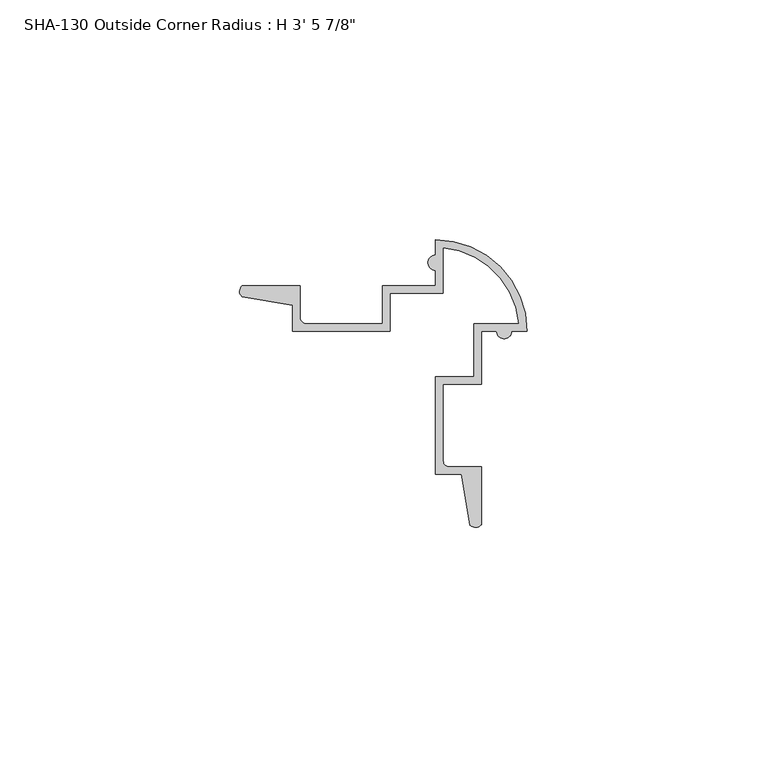
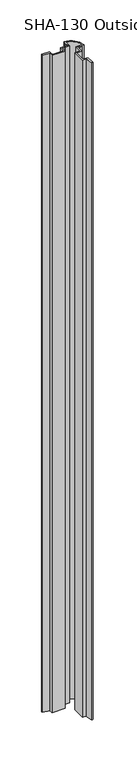
"""IFC4 building model written with IfcOpenShell, lengths in millimetres: proxy geometry."""

from ifc_helpers import new_model, si_unit, point, frame_2d, origin, origin_with_axes, place, context, project, spatial, polyline, circle_curve, trimmed, segment, composite_curve, outline, extrude, source, transform, mapped, element, save


def proxy_6e7dbbd5(model_context):
    return source(origin(), model_context, "Body", "SweptSolid", [
        extrude(outline(composite_curve([segment(trimmed(circle_curve(frame_2d((10.5926257, 24.8891856)), 1.5748), [point((10.5926257, 23.3143856))], [point((10.5926257, 26.4639856))], False, "CARTESIAN"), True, "CONTINUOUS"), segment(polyline([(10.5926257, 26.4639856), (10.5926257, 29.6516856)]), True, "CONTINUOUS"), segment(trimmed(circle_curve(frame_2d((10.5926257, 10.6016856)), 19.05), [point((10.5926257, 29.6516856))], [point((29.6426257, 10.6016856))], False, "CARTESIAN"), True, "CONTINUOUS"), segment(polyline([(29.6426257, 10.6016856), (26.4549257, 10.6016856)]), True, "CONTINUOUS"), segment(trimmed(circle_curve(frame_2d((24.8801257, 10.6016856)), 1.5748), [point((26.4549257, 10.6016856))], [point((23.3053257, 10.6016856))], False, "CARTESIAN"), True, "CONTINUOUS"), segment(polyline([(23.3053257, 10.6016856), (20.1176257, 10.6016856), (20.1176257, -0.4981144), (12.1674257, -0.4981144), (12.1674257, -16.3945354)]), True, "CONTINUOUS"), segment(trimmed(circle_curve(frame_2d((13.4374257, -16.3945354)), 1.27), [point((12.1674257, -16.3945354))], [point((13.4374257, -17.6645354))], True, "CARTESIAN"), True, "CONTINUOUS"), segment(polyline([(13.4374257, -17.6645354), (20.1176257, -17.6645354), (20.1176257, -29.7493385)]), True, "CONTINUOUS"), segment(trimmed(circle_curve(frame_2d((18.9249492, -28.6585809)), 1.6162393), [point((20.1176257, -29.7493385))], [point((17.7962565, -29.8154223))], False, "CARTESIAN"), True, "CONTINUOUS"), segment(polyline([(17.7962565, -29.8154223), (15.9852827, -19.2393354), (10.5926257, -19.2393354), (10.5926257, 1.0766856), (18.5428257, 1.0766856), (18.5428257, 12.1764856), (27.9839716, 12.1764856)]), True, "CONTINUOUS"), segment(trimmed(circle_curve(frame_2d((10.5926257, 10.6016856)), 17.4625), [point((27.9839716, 12.1764856))], [point((12.1674257, 27.9930315))], True, "CARTESIAN"), True, "CONTINUOUS"), segment(polyline([(12.1674257, 27.9930315), (12.1674257, 18.5518856), (1.0676257, 18.5518856), (1.0676257, 10.6016856), (-19.2483953, 10.6016856), (-19.2483953, 15.9943426), (-29.8244822, 17.8053164)]), True, "CONTINUOUS"), segment(trimmed(circle_curve(frame_2d((-28.6676408, 18.9340091)), 1.6162393), [point((-29.8244822, 17.8053164))], [point((-29.7583984, 20.1266856))], False, "CARTESIAN"), True, "CONTINUOUS"), segment(polyline([(-29.7583984, 20.1266856), (-17.6735953, 20.1266856), (-17.6735953, 13.4464856)]), True, "CONTINUOUS"), segment(trimmed(circle_curve(frame_2d((-16.4035953, 13.4464856)), 1.27), [point((-17.6735953, 13.4464856))], [point((-16.4035953, 12.1764856))], True, "CARTESIAN"), True, "CONTINUOUS"), segment(polyline([(-16.4035953, 12.1764856), (-0.5071743, 12.1764856), (-0.5071743, 20.1266856), (10.5926257, 20.1266856), (10.5926257, 23.3143856)]), True, "CONTINUOUS")], self_intersect=False)), origin_with_axes(), (0.0, 0.0, 1.0), 1063.625),
    ])


if __name__ == "__main__":
    model = new_model("IFC4")
    model_context = context("Model", 3, world=origin())
    ifc_project = project(units=[si_unit("LENGTHUNIT", "METRE", prefix="MILLI")], contexts=[model_context])
    site = spatial("IfcSite", under=ifc_project)
    building = spatial("IfcBuilding", under=site)
    placement = place(None, origin())
    proxy_shape = proxy_6e7dbbd5(model_context)
    element("IfcBuildingElementProxy", 1, Name="SHA-130 Outside Corner Radius : H 3' 5 7/8\"", ObjectType="SHA-130 Outside Corner Radius : H 3' 5 7/8\"", at=placement, inside=building, context=model_context, shape_type="MappedRepresentation", body=[
        mapped(proxy_shape, transform((0.0, 0.0, 0.0), x_axis=(1.0, 0.0, 0.0), y_axis=(0.0, 1.0, 0.0), z_axis=(0.0, 0.0, 1.0))),
    ])
    save(model, "model.ifc")
